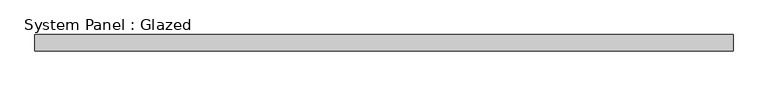
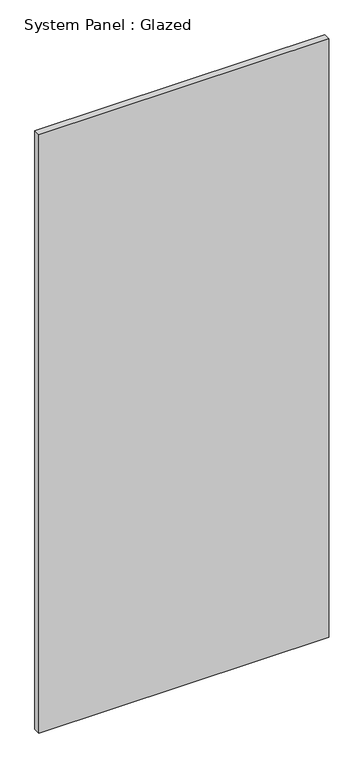
"""IFC4 building model written with IfcOpenShell, lengths in millimetres: plate geometry, System Panel : Glazed."""

from ifc_helpers import new_model, si_unit, origin, origin_with_axes, place, context, project, spatial, polyline, outline, extrude, source, transform, mapped, element, save


def system_panel_glazed_e0fa6c7d(model_context):
    return source(origin(), model_context, "Body", "SweptSolid", [
        extrude(outline(polyline([(544.0353371, 19.05), (-544.0353371, 19.05), (-544.0353371, 44.45), (544.0353371, 44.45), (544.0353371, 19.05)])), origin_with_axes(), (0.0, 0.0, 1.0), 2374.9),
    ])


if __name__ == "__main__":
    model = new_model("IFC4")
    model_context = context("Model", 3, world=origin())
    ifc_project = project(units=[si_unit("LENGTHUNIT", "METRE", prefix="MILLI")], contexts=[model_context])
    site = spatial("IfcSite", under=ifc_project)
    building = spatial("IfcBuilding", under=site)
    placement = place(None, origin())
    system_panel_glazed_shape = system_panel_glazed_e0fa6c7d(model_context)
    element("IfcPlate", 1, ObjectType="System Panel : Glazed", at=placement, inside=building, context=model_context, shape_type="MappedRepresentation", body=[
        mapped(system_panel_glazed_shape, transform((0.0, 0.0, 0.0), x_axis=(1.0, 0.0, 0.0), y_axis=(0.0, 1.0, 0.0), z_axis=(0.0, 0.0, 1.0))),
    ])
    save(model, "model.ifc")
